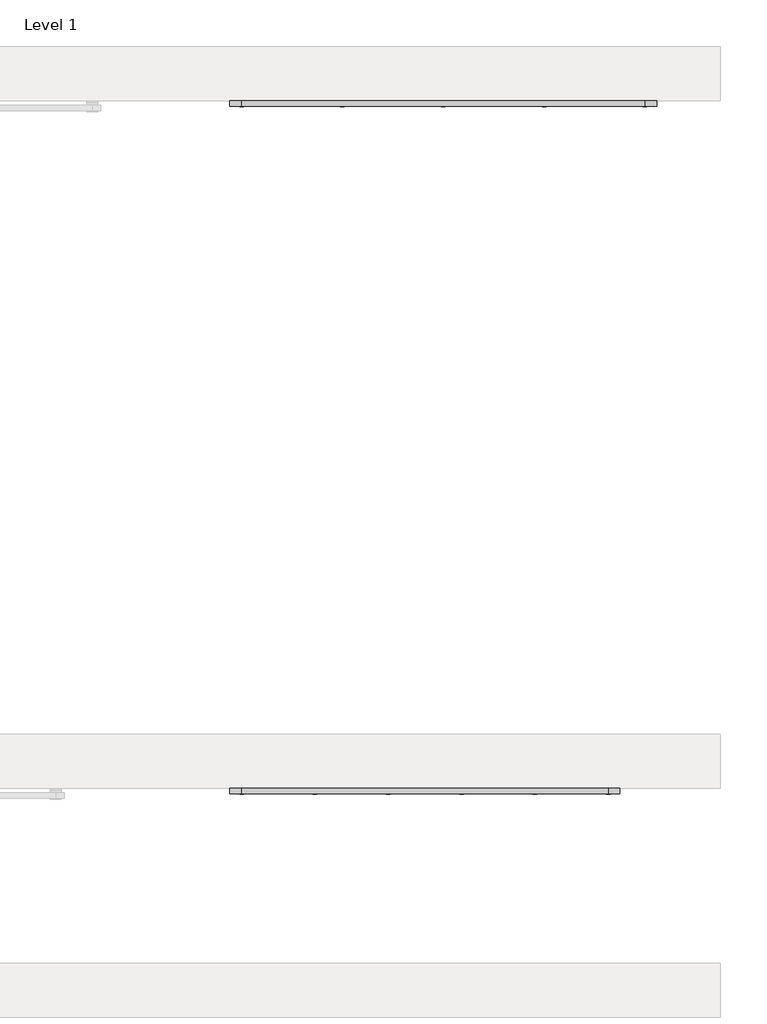
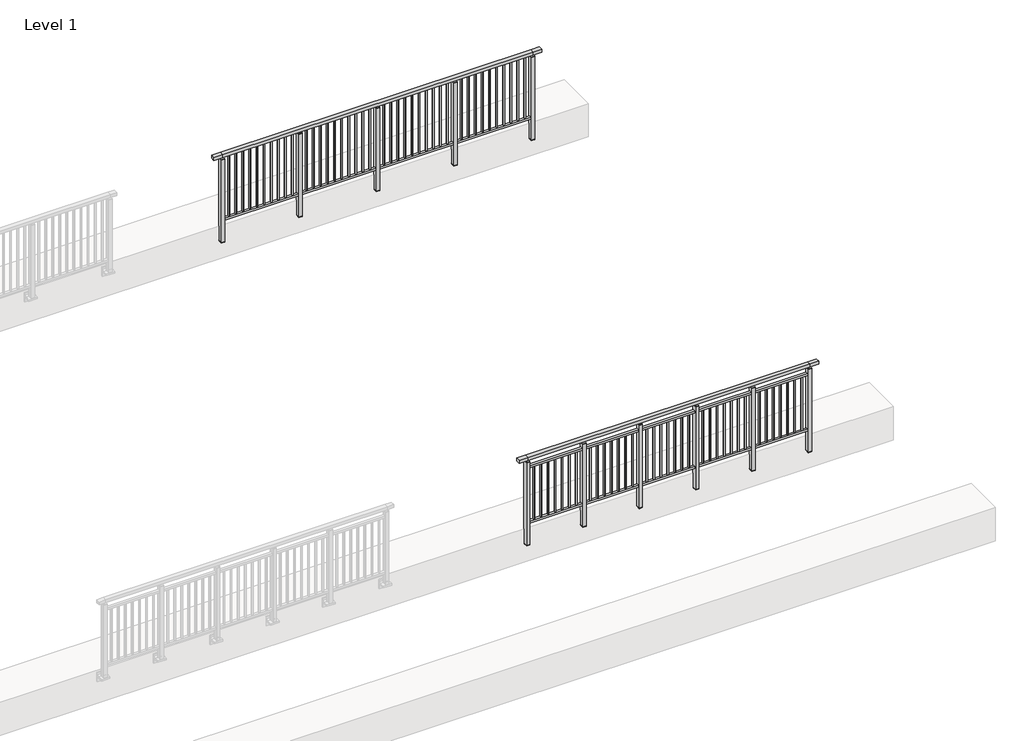
# One storey, part 11 of 37: 2 railings.
"""IFC4 building model written with IfcOpenShell, lengths in millimetres."""

from ifc_helpers import new_model, si_unit, frame, origin, place, context, project, spatial, polyline, outline, extrude, faceted_brep, element, save

model = new_model("IFC4")

# Units and contexts
model_context = context("Model", 3, world=origin())
ifc_project = project(units=[si_unit("LENGTHUNIT", "METRE", prefix="MILLI")], contexts=[model_context])

# Site, building, storey
site = spatial("IfcSite", under=ifc_project)
building = spatial("IfcBuilding", under=site)
storey = spatial("IfcBuildingStorey", under=building, Name="Level 1", Elevation=0.0)

# Railings
placement = place(None, origin())
element("IfcRailing", 1, at=placement, inside=storey, context=model_context, shape_type="SolidModel", body=[
    faceted_brep([(18027.0, 7397.6846828, 1055.0), (18027.0, 7397.6846828, 1100.0), (22027.0, 7397.6846828, 1100.0), (22027.0, 7397.6846828, 1055.0), (18027.0, 7337.6846828, 1055.0), (22027.0, 7337.6846828, 1055.0), (18027.0, 7337.6846828, 1100.0), (22027.0, 7337.6846828, 1100.0), (17899.5, 7397.6846828, 1100.0), (17899.5, 7397.6846828, 1055.0), (17899.5, 7337.6846828, 1055.0), (17899.5, 7337.6846828, 1100.0), (22154.5, 7397.6846828, 1100.0), (22154.5, 7337.6846828, 1100.0), (22154.5, 7337.6846828, 1055.0), (22154.5, 7397.6846828, 1055.0)], [[[0, 1, 2, 3]], [[4, 0, 3, 5]], [[6, 4, 5, 7]], [[1, 6, 7, 2]], [[8, 9, 10, 11]], [[9, 8, 1, 0]], [[10, 9, 0, 4]], [[11, 10, 4, 6]], [[8, 11, 6, 1]], [[12, 13, 14, 15]], [[3, 2, 12, 15]], [[5, 3, 15, 14]], [[7, 5, 14, 13]], [[2, 7, 13, 12]]]),
    extrude(outline(polyline([(18027.0, 7350.1846828), (18027.0, 7385.1846828), (22027.0, 7385.1846828), (22027.0, 7350.1846828), (18027.0, 7350.1846828)])), frame((0.0, 0.0, 930.0), z_axis=(0.0, 0.0, 1.0), x_axis=(1.0, 0.0, 0.0)), (0.0, 0.0, 1.0), 30.0),
    extrude(outline(polyline([(18027.0, 7350.1846828), (18027.0, 7385.1846828), (22027.0, 7385.1846828), (22027.0, 7350.1846828), (18027.0, 7350.1846828)])), frame((0.0, 0.0, 95.0), z_axis=(0.0, 0.0, 1.0), x_axis=(1.0, 0.0, 0.0)), (0.0, 0.0, 1.0), 30.0),
    extrude(outline(polyline([(21935.5, 7359.1846828), (21918.5, 7359.1846828), (21918.5, 7376.1846828), (21935.5, 7376.1846828), (21935.5, 7359.1846828)])), frame((0.0, 0.0, 125.0), z_axis=(0.0, 0.0, 1.0), x_axis=(1.0, 0.0, 0.0)), (0.0, 0.0, 1.0), 805.0),
    extrude(outline(polyline([(21835.5, 7359.1846828), (21818.5, 7359.1846828), (21818.5, 7376.1846828), (21835.5, 7376.1846828), (21835.5, 7359.1846828)])), frame((0.0, 0.0, 125.0), z_axis=(0.0, 0.0, 1.0), x_axis=(1.0, 0.0, 0.0)), (0.0, 0.0, 1.0), 805.0),
    extrude(outline(polyline([(21735.5, 7359.1846828), (21718.5, 7359.1846828), (21718.5, 7376.1846828), (21735.5, 7376.1846828), (21735.5, 7359.1846828)])), frame((0.0, 0.0, 125.0), z_axis=(0.0, 0.0, 1.0), x_axis=(1.0, 0.0, 0.0)), (0.0, 0.0, 1.0), 805.0),
    extrude(outline(polyline([(21635.5, 7359.1846828), (21618.5, 7359.1846828), (21618.5, 7376.1846828), (21635.5, 7376.1846828), (21635.5, 7359.1846828)])), frame((0.0, 0.0, 125.0), z_axis=(0.0, 0.0, 1.0), x_axis=(1.0, 0.0, 0.0)), (0.0, 0.0, 1.0), 805.0),
    extrude(outline(polyline([(21535.5, 7359.1846828), (21518.5, 7359.1846828), (21518.5, 7376.1846828), (21535.5, 7376.1846828), (21535.5, 7359.1846828)])), frame((0.0, 0.0, 125.0), z_axis=(0.0, 0.0, 1.0), x_axis=(1.0, 0.0, 0.0)), (0.0, 0.0, 1.0), 805.0),
    extrude(outline(polyline([(21435.5, 7359.1846828), (21418.5, 7359.1846828), (21418.5, 7376.1846828), (21435.5, 7376.1846828), (21435.5, 7359.1846828)])), frame((0.0, 0.0, 125.0), z_axis=(0.0, 0.0, 1.0), x_axis=(1.0, 0.0, 0.0)), (0.0, 0.0, 1.0), 805.0),
    extrude(outline(polyline([(21335.5, 7359.1846828), (21318.5, 7359.1846828), (21318.5, 7376.1846828), (21335.5, 7376.1846828), (21335.5, 7359.1846828)])), frame((0.0, 0.0, 125.0), z_axis=(0.0, 0.0, 1.0), x_axis=(1.0, 0.0, 0.0)), (0.0, 0.0, 1.0), 805.0),
    extrude(outline(polyline([(21249.5, 7400.1846828), (21249.5, 7335.1846828), (21204.5, 7335.1846828), (21204.5, 7400.1846828), (21249.5, 7400.1846828)])), frame((0.0, 0.0, 1027.0), z_axis=(0.0, 0.0, 1.0), x_axis=(1.0, 0.0, 0.0)), (0.0, 0.0, 1.0), 8.0),
    extrude(outline(polyline([(21249.5, 7400.1846828), (21249.5, 7335.1846828), (21204.5, 7335.1846828), (21204.5, 7400.1846828), (21249.5, 7400.1846828)])), frame((0.0, 0.0, -212.0), z_axis=(0.0, 0.0, 1.0), x_axis=(1.0, 0.0, 0.0)), (0.0, 0.0, 1.0), 1239.0),
    extrude(outline(polyline([(21237.0, 7377.6846828), (21237.0, 7357.6846828), (21217.0, 7357.6846828), (21217.0, 7377.6846828), (21237.0, 7377.6846828)])), frame((0.0, 0.0, 1035.0), z_axis=(0.0, 0.0, 1.0), x_axis=(1.0, 0.0, 0.0)), (0.0, 0.0, 1.0), 20.0),
    extrude(outline(polyline([(21249.5, 7400.1846828), (21249.5, 7335.1846828), (21204.5, 7335.1846828), (21204.5, 7400.1846828), (21249.5, 7400.1846828)])), frame((0.0, 0.0, -220.0), z_axis=(0.0, 0.0, 1.0), x_axis=(1.0, 0.0, 0.0)), (0.0, 0.0, 1.0), 8.0),
    extrude(outline(polyline([(21135.5, 7359.1846828), (21118.5, 7359.1846828), (21118.5, 7376.1846828), (21135.5, 7376.1846828), (21135.5, 7359.1846828)])), frame((0.0, 0.0, 125.0), z_axis=(0.0, 0.0, 1.0), x_axis=(1.0, 0.0, 0.0)), (0.0, 0.0, 1.0), 805.0),
    extrude(outline(polyline([(21035.5, 7359.1846828), (21018.5, 7359.1846828), (21018.5, 7376.1846828), (21035.5, 7376.1846828), (21035.5, 7359.1846828)])), frame((0.0, 0.0, 125.0), z_axis=(0.0, 0.0, 1.0), x_axis=(1.0, 0.0, 0.0)), (0.0, 0.0, 1.0), 805.0),
    extrude(outline(polyline([(20935.5, 7359.1846828), (20918.5, 7359.1846828), (20918.5, 7376.1846828), (20935.5, 7376.1846828), (20935.5, 7359.1846828)])), frame((0.0, 0.0, 125.0), z_axis=(0.0, 0.0, 1.0), x_axis=(1.0, 0.0, 0.0)), (0.0, 0.0, 1.0), 805.0),
    extrude(outline(polyline([(20835.5, 7359.1846828), (20818.5, 7359.1846828), (20818.5, 7376.1846828), (20835.5, 7376.1846828), (20835.5, 7359.1846828)])), frame((0.0, 0.0, 125.0), z_axis=(0.0, 0.0, 1.0), x_axis=(1.0, 0.0, 0.0)), (0.0, 0.0, 1.0), 805.0),
    extrude(outline(polyline([(20735.5, 7359.1846828), (20718.5, 7359.1846828), (20718.5, 7376.1846828), (20735.5, 7376.1846828), (20735.5, 7359.1846828)])), frame((0.0, 0.0, 125.0), z_axis=(0.0, 0.0, 1.0), x_axis=(1.0, 0.0, 0.0)), (0.0, 0.0, 1.0), 805.0),
    extrude(outline(polyline([(20635.5, 7359.1846828), (20618.5, 7359.1846828), (20618.5, 7376.1846828), (20635.5, 7376.1846828), (20635.5, 7359.1846828)])), frame((0.0, 0.0, 125.0), z_axis=(0.0, 0.0, 1.0), x_axis=(1.0, 0.0, 0.0)), (0.0, 0.0, 1.0), 805.0),
    extrude(outline(polyline([(20535.5, 7359.1846828), (20518.5, 7359.1846828), (20518.5, 7376.1846828), (20535.5, 7376.1846828), (20535.5, 7359.1846828)])), frame((0.0, 0.0, 125.0), z_axis=(0.0, 0.0, 1.0), x_axis=(1.0, 0.0, 0.0)), (0.0, 0.0, 1.0), 805.0),
    extrude(outline(polyline([(20449.5, 7400.1846828), (20449.5, 7335.1846828), (20404.5, 7335.1846828), (20404.5, 7400.1846828), (20449.5, 7400.1846828)])), frame((0.0, 0.0, 1027.0), z_axis=(0.0, 0.0, 1.0), x_axis=(1.0, 0.0, 0.0)), (0.0, 0.0, 1.0), 8.0),
    extrude(outline(polyline([(20449.5, 7400.1846828), (20449.5, 7335.1846828), (20404.5, 7335.1846828), (20404.5, 7400.1846828), (20449.5, 7400.1846828)])), frame((0.0, 0.0, -212.0), z_axis=(0.0, 0.0, 1.0), x_axis=(1.0, 0.0, 0.0)), (0.0, 0.0, 1.0), 1239.0),
    extrude(outline(polyline([(20437.0, 7377.6846828), (20437.0, 7357.6846828), (20417.0, 7357.6846828), (20417.0, 7377.6846828), (20437.0, 7377.6846828)])), frame((0.0, 0.0, 1035.0), z_axis=(0.0, 0.0, 1.0), x_axis=(1.0, 0.0, 0.0)), (0.0, 0.0, 1.0), 20.0),
    extrude(outline(polyline([(20449.5, 7400.1846828), (20449.5, 7335.1846828), (20404.5, 7335.1846828), (20404.5, 7400.1846828), (20449.5, 7400.1846828)])), frame((0.0, 0.0, -220.0), z_axis=(0.0, 0.0, 1.0), x_axis=(1.0, 0.0, 0.0)), (0.0, 0.0, 1.0), 8.0),
    extrude(outline(polyline([(20335.5, 7359.1846828), (20318.5, 7359.1846828), (20318.5, 7376.1846828), (20335.5, 7376.1846828), (20335.5, 7359.1846828)])), frame((0.0, 0.0, 125.0), z_axis=(0.0, 0.0, 1.0), x_axis=(1.0, 0.0, 0.0)), (0.0, 0.0, 1.0), 805.0),
    extrude(outline(polyline([(20235.5, 7359.1846828), (20218.5, 7359.1846828), (20218.5, 7376.1846828), (20235.5, 7376.1846828), (20235.5, 7359.1846828)])), frame((0.0, 0.0, 125.0), z_axis=(0.0, 0.0, 1.0), x_axis=(1.0, 0.0, 0.0)), (0.0, 0.0, 1.0), 805.0),
    extrude(outline(polyline([(20135.5, 7359.1846828), (20118.5, 7359.1846828), (20118.5, 7376.1846828), (20135.5, 7376.1846828), (20135.5, 7359.1846828)])), frame((0.0, 0.0, 125.0), z_axis=(0.0, 0.0, 1.0), x_axis=(1.0, 0.0, 0.0)), (0.0, 0.0, 1.0), 805.0),
    extrude(outline(polyline([(20035.5, 7359.1846828), (20018.5, 7359.1846828), (20018.5, 7376.1846828), (20035.5, 7376.1846828), (20035.5, 7359.1846828)])), frame((0.0, 0.0, 125.0), z_axis=(0.0, 0.0, 1.0), x_axis=(1.0, 0.0, 0.0)), (0.0, 0.0, 1.0), 805.0),
    extrude(outline(polyline([(19935.5, 7359.1846828), (19918.5, 7359.1846828), (19918.5, 7376.1846828), (19935.5, 7376.1846828), (19935.5, 7359.1846828)])), frame((0.0, 0.0, 125.0), z_axis=(0.0, 0.0, 1.0), x_axis=(1.0, 0.0, 0.0)), (0.0, 0.0, 1.0), 805.0),
    extrude(outline(polyline([(19835.5, 7359.1846828), (19818.5, 7359.1846828), (19818.5, 7376.1846828), (19835.5, 7376.1846828), (19835.5, 7359.1846828)])), frame((0.0, 0.0, 125.0), z_axis=(0.0, 0.0, 1.0), x_axis=(1.0, 0.0, 0.0)), (0.0, 0.0, 1.0), 805.0),
    extrude(outline(polyline([(19735.5, 7359.1846828), (19718.5, 7359.1846828), (19718.5, 7376.1846828), (19735.5, 7376.1846828), (19735.5, 7359.1846828)])), frame((0.0, 0.0, 125.0), z_axis=(0.0, 0.0, 1.0), x_axis=(1.0, 0.0, 0.0)), (0.0, 0.0, 1.0), 805.0),
    extrude(outline(polyline([(19649.5, 7400.1846828), (19649.5, 7335.1846828), (19604.5, 7335.1846828), (19604.5, 7400.1846828), (19649.5, 7400.1846828)])), frame((0.0, 0.0, 1027.0), z_axis=(0.0, 0.0, 1.0), x_axis=(1.0, 0.0, 0.0)), (0.0, 0.0, 1.0), 8.0),
    extrude(outline(polyline([(19649.5, 7400.1846828), (19649.5, 7335.1846828), (19604.5, 7335.1846828), (19604.5, 7400.1846828), (19649.5, 7400.1846828)])), frame((0.0, 0.0, -212.0), z_axis=(0.0, 0.0, 1.0), x_axis=(1.0, 0.0, 0.0)), (0.0, 0.0, 1.0), 1239.0),
    extrude(outline(polyline([(19637.0, 7377.6846828), (19637.0, 7357.6846828), (19617.0, 7357.6846828), (19617.0, 7377.6846828), (19637.0, 7377.6846828)])), frame((0.0, 0.0, 1035.0), z_axis=(0.0, 0.0, 1.0), x_axis=(1.0, 0.0, 0.0)), (0.0, 0.0, 1.0), 20.0),
    extrude(outline(polyline([(19649.5, 7400.1846828), (19649.5, 7335.1846828), (19604.5, 7335.1846828), (19604.5, 7400.1846828), (19649.5, 7400.1846828)])), frame((0.0, 0.0, -220.0), z_axis=(0.0, 0.0, 1.0), x_axis=(1.0, 0.0, 0.0)), (0.0, 0.0, 1.0), 8.0),
    extrude(outline(polyline([(19535.5, 7359.1846828), (19518.5, 7359.1846828), (19518.5, 7376.1846828), (19535.5, 7376.1846828), (19535.5, 7359.1846828)])), frame((0.0, 0.0, 125.0), z_axis=(0.0, 0.0, 1.0), x_axis=(1.0, 0.0, 0.0)), (0.0, 0.0, 1.0), 805.0),
    extrude(outline(polyline([(19435.5, 7359.1846828), (19418.5, 7359.1846828), (19418.5, 7376.1846828), (19435.5, 7376.1846828), (19435.5, 7359.1846828)])), frame((0.0, 0.0, 125.0), z_axis=(0.0, 0.0, 1.0), x_axis=(1.0, 0.0, 0.0)), (0.0, 0.0, 1.0), 805.0),
    extrude(outline(polyline([(19335.5, 7359.1846828), (19318.5, 7359.1846828), (19318.5, 7376.1846828), (19335.5, 7376.1846828), (19335.5, 7359.1846828)])), frame((0.0, 0.0, 125.0), z_axis=(0.0, 0.0, 1.0), x_axis=(1.0, 0.0, 0.0)), (0.0, 0.0, 1.0), 805.0),
    extrude(outline(polyline([(19235.5, 7359.1846828), (19218.5, 7359.1846828), (19218.5, 7376.1846828), (19235.5, 7376.1846828), (19235.5, 7359.1846828)])), frame((0.0, 0.0, 125.0), z_axis=(0.0, 0.0, 1.0), x_axis=(1.0, 0.0, 0.0)), (0.0, 0.0, 1.0), 805.0),
    extrude(outline(polyline([(19135.5, 7359.1846828), (19118.5, 7359.1846828), (19118.5, 7376.1846828), (19135.5, 7376.1846828), (19135.5, 7359.1846828)])), frame((0.0, 0.0, 125.0), z_axis=(0.0, 0.0, 1.0), x_axis=(1.0, 0.0, 0.0)), (0.0, 0.0, 1.0), 805.0),
    extrude(outline(polyline([(19035.5, 7359.1846828), (19018.5, 7359.1846828), (19018.5, 7376.1846828), (19035.5, 7376.1846828), (19035.5, 7359.1846828)])), frame((0.0, 0.0, 125.0), z_axis=(0.0, 0.0, 1.0), x_axis=(1.0, 0.0, 0.0)), (0.0, 0.0, 1.0), 805.0),
    extrude(outline(polyline([(18935.5, 7359.1846828), (18918.5, 7359.1846828), (18918.5, 7376.1846828), (18935.5, 7376.1846828), (18935.5, 7359.1846828)])), frame((0.0, 0.0, 125.0), z_axis=(0.0, 0.0, 1.0), x_axis=(1.0, 0.0, 0.0)), (0.0, 0.0, 1.0), 805.0),
    extrude(outline(polyline([(18849.5, 7400.1846828), (18849.5, 7335.1846828), (18804.5, 7335.1846828), (18804.5, 7400.1846828), (18849.5, 7400.1846828)])), frame((0.0, 0.0, 1027.0), z_axis=(0.0, 0.0, 1.0), x_axis=(1.0, 0.0, 0.0)), (0.0, 0.0, 1.0), 8.0),
    extrude(outline(polyline([(18849.5, 7400.1846828), (18849.5, 7335.1846828), (18804.5, 7335.1846828), (18804.5, 7400.1846828), (18849.5, 7400.1846828)])), frame((0.0, 0.0, -212.0), z_axis=(0.0, 0.0, 1.0), x_axis=(1.0, 0.0, 0.0)), (0.0, 0.0, 1.0), 1239.0),
    extrude(outline(polyline([(18837.0, 7377.6846828), (18837.0, 7357.6846828), (18817.0, 7357.6846828), (18817.0, 7377.6846828), (18837.0, 7377.6846828)])), frame((0.0, 0.0, 1035.0), z_axis=(0.0, 0.0, 1.0), x_axis=(1.0, 0.0, 0.0)), (0.0, 0.0, 1.0), 20.0),
    extrude(outline(polyline([(18849.5, 7400.1846828), (18849.5, 7335.1846828), (18804.5, 7335.1846828), (18804.5, 7400.1846828), (18849.5, 7400.1846828)])), frame((0.0, 0.0, -220.0), z_axis=(0.0, 0.0, 1.0), x_axis=(1.0, 0.0, 0.0)), (0.0, 0.0, 1.0), 8.0),
    extrude(outline(polyline([(18735.5, 7359.1846828), (18718.5, 7359.1846828), (18718.5, 7376.1846828), (18735.5, 7376.1846828), (18735.5, 7359.1846828)])), frame((0.0, 0.0, 125.0), z_axis=(0.0, 0.0, 1.0), x_axis=(1.0, 0.0, 0.0)), (0.0, 0.0, 1.0), 805.0),
    extrude(outline(polyline([(18635.5, 7359.1846828), (18618.5, 7359.1846828), (18618.5, 7376.1846828), (18635.5, 7376.1846828), (18635.5, 7359.1846828)])), frame((0.0, 0.0, 125.0), z_axis=(0.0, 0.0, 1.0), x_axis=(1.0, 0.0, 0.0)), (0.0, 0.0, 1.0), 805.0),
    extrude(outline(polyline([(18535.5, 7359.1846828), (18518.5, 7359.1846828), (18518.5, 7376.1846828), (18535.5, 7376.1846828), (18535.5, 7359.1846828)])), frame((0.0, 0.0, 125.0), z_axis=(0.0, 0.0, 1.0), x_axis=(1.0, 0.0, 0.0)), (0.0, 0.0, 1.0), 805.0),
    extrude(outline(polyline([(18435.5, 7359.1846828), (18418.5, 7359.1846828), (18418.5, 7376.1846828), (18435.5, 7376.1846828), (18435.5, 7359.1846828)])), frame((0.0, 0.0, 125.0), z_axis=(0.0, 0.0, 1.0), x_axis=(1.0, 0.0, 0.0)), (0.0, 0.0, 1.0), 805.0),
    extrude(outline(polyline([(18335.5, 7359.1846828), (18318.5, 7359.1846828), (18318.5, 7376.1846828), (18335.5, 7376.1846828), (18335.5, 7359.1846828)])), frame((0.0, 0.0, 125.0), z_axis=(0.0, 0.0, 1.0), x_axis=(1.0, 0.0, 0.0)), (0.0, 0.0, 1.0), 805.0),
    extrude(outline(polyline([(18235.5, 7359.1846828), (18218.5, 7359.1846828), (18218.5, 7376.1846828), (18235.5, 7376.1846828), (18235.5, 7359.1846828)])), frame((0.0, 0.0, 125.0), z_axis=(0.0, 0.0, 1.0), x_axis=(1.0, 0.0, 0.0)), (0.0, 0.0, 1.0), 805.0),
    extrude(outline(polyline([(18135.5, 7359.1846828), (18118.5, 7359.1846828), (18118.5, 7376.1846828), (18135.5, 7376.1846828), (18135.5, 7359.1846828)])), frame((0.0, 0.0, 125.0), z_axis=(0.0, 0.0, 1.0), x_axis=(1.0, 0.0, 0.0)), (0.0, 0.0, 1.0), 805.0),
    extrude(outline(polyline([(22049.5, 7400.1846828), (22049.5, 7335.1846828), (22004.5, 7335.1846828), (22004.5, 7400.1846828), (22049.5, 7400.1846828)])), frame((0.0, 0.0, 1027.0), z_axis=(0.0, 0.0, 1.0), x_axis=(1.0, 0.0, 0.0)), (0.0, 0.0, 1.0), 8.0),
    extrude(outline(polyline([(22049.5, 7400.1846828), (22049.5, 7335.1846828), (22004.5, 7335.1846828), (22004.5, 7400.1846828), (22049.5, 7400.1846828)])), frame((0.0, 0.0, -212.0), z_axis=(0.0, 0.0, 1.0), x_axis=(1.0, 0.0, 0.0)), (0.0, 0.0, 1.0), 1239.0),
    extrude(outline(polyline([(22037.0, 7377.6846828), (22037.0, 7357.6846828), (22017.0, 7357.6846828), (22017.0, 7377.6846828), (22037.0, 7377.6846828)])), frame((0.0, 0.0, 1035.0), z_axis=(0.0, 0.0, 1.0), x_axis=(1.0, 0.0, 0.0)), (0.0, 0.0, 1.0), 20.0),
    extrude(outline(polyline([(22049.5, 7400.1846828), (22049.5, 7335.1846828), (22004.5, 7335.1846828), (22004.5, 7400.1846828), (22049.5, 7400.1846828)])), frame((0.0, 0.0, -220.0), z_axis=(0.0, 0.0, 1.0), x_axis=(1.0, 0.0, 0.0)), (0.0, 0.0, 1.0), 8.0),
    extrude(outline(polyline([(18049.5, 7400.1846828), (18049.5, 7335.1846828), (18004.5, 7335.1846828), (18004.5, 7400.1846828), (18049.5, 7400.1846828)])), frame((0.0, 0.0, 1027.0), z_axis=(0.0, 0.0, 1.0), x_axis=(1.0, 0.0, 0.0)), (0.0, 0.0, 1.0), 8.0),
    extrude(outline(polyline([(18049.5, 7400.1846828), (18049.5, 7335.1846828), (18004.5, 7335.1846828), (18004.5, 7400.1846828), (18049.5, 7400.1846828)])), frame((0.0, 0.0, -212.0), z_axis=(0.0, 0.0, 1.0), x_axis=(1.0, 0.0, 0.0)), (0.0, 0.0, 1.0), 1239.0),
    extrude(outline(polyline([(18037.0, 7377.6846828), (18037.0, 7357.6846828), (18017.0, 7357.6846828), (18017.0, 7377.6846828), (18037.0, 7377.6846828)])), frame((0.0, 0.0, 1035.0), z_axis=(0.0, 0.0, 1.0), x_axis=(1.0, 0.0, 0.0)), (0.0, 0.0, 1.0), 20.0),
    extrude(outline(polyline([(18049.5, 7400.1846828), (18049.5, 7335.1846828), (18004.5, 7335.1846828), (18004.5, 7400.1846828), (18049.5, 7400.1846828)])), frame((0.0, 0.0, -220.0), z_axis=(0.0, 0.0, 1.0), x_axis=(1.0, 0.0, 0.0)), (0.0, 0.0, 1.0), 8.0),
])
element("IfcRailing", 2, at=placement, inside=storey, context=model_context, shape_type="SolidModel", body=[
    faceted_brep([(18027.0, 14897.6846828, 1055.0), (18027.0, 14897.6846828, 1100.0), (22427.0, 14897.6846828, 1100.0), (22427.0, 14897.6846828, 1055.0), (18027.0, 14837.6846828, 1055.0), (22427.0, 14837.6846828, 1055.0), (18027.0, 14837.6846828, 1100.0), (22427.0, 14837.6846828, 1100.0), (17899.5, 14897.6846828, 1100.0), (17899.5, 14897.6846828, 1055.0), (17899.5, 14837.6846828, 1055.0), (17899.5, 14837.6846828, 1100.0), (22554.5, 14897.6846828, 1100.0), (22554.5, 14837.6846828, 1100.0), (22554.5, 14837.6846828, 1055.0), (22554.5, 14897.6846828, 1055.0)], [[[0, 1, 2, 3]], [[4, 0, 3, 5]], [[6, 4, 5, 7]], [[1, 6, 7, 2]], [[8, 9, 10, 11]], [[9, 8, 1, 0]], [[10, 9, 0, 4]], [[11, 10, 4, 6]], [[8, 11, 6, 1]], [[12, 13, 14, 15]], [[3, 2, 12, 15]], [[5, 3, 15, 14]], [[7, 5, 14, 13]], [[2, 7, 13, 12]]]),
    extrude(outline(polyline([(18027.0, 14850.1846828), (18027.0, 14885.1846828), (22427.0, 14885.1846828), (22427.0, 14850.1846828), (18027.0, 14850.1846828)])), frame((0.0, 0.0, 95.0), z_axis=(0.0, 0.0, 1.0), x_axis=(1.0, 0.0, 0.0)), (0.0, 0.0, 1.0), 30.0),
    extrude(outline(polyline([(22335.5, 14859.1846828), (22318.5, 14859.1846828), (22318.5, 14876.1846828), (22335.5, 14876.1846828), (22335.5, 14859.1846828)])), frame((0.0, 0.0, 125.0), z_axis=(0.0, 0.0, 1.0), x_axis=(1.0, 0.0, 0.0)), (0.0, 0.0, 1.0), 930.0),
    extrude(outline(polyline([(22235.5, 14859.1846828), (22218.5, 14859.1846828), (22218.5, 14876.1846828), (22235.5, 14876.1846828), (22235.5, 14859.1846828)])), frame((0.0, 0.0, 125.0), z_axis=(0.0, 0.0, 1.0), x_axis=(1.0, 0.0, 0.0)), (0.0, 0.0, 1.0), 930.0),
    extrude(outline(polyline([(22135.5, 14859.1846828), (22118.5, 14859.1846828), (22118.5, 14876.1846828), (22135.5, 14876.1846828), (22135.5, 14859.1846828)])), frame((0.0, 0.0, 125.0), z_axis=(0.0, 0.0, 1.0), x_axis=(1.0, 0.0, 0.0)), (0.0, 0.0, 1.0), 930.0),
    extrude(outline(polyline([(22035.5, 14859.1846828), (22018.5, 14859.1846828), (22018.5, 14876.1846828), (22035.5, 14876.1846828), (22035.5, 14859.1846828)])), frame((0.0, 0.0, 125.0), z_axis=(0.0, 0.0, 1.0), x_axis=(1.0, 0.0, 0.0)), (0.0, 0.0, 1.0), 930.0),
    extrude(outline(polyline([(21935.5, 14859.1846828), (21918.5, 14859.1846828), (21918.5, 14876.1846828), (21935.5, 14876.1846828), (21935.5, 14859.1846828)])), frame((0.0, 0.0, 125.0), z_axis=(0.0, 0.0, 1.0), x_axis=(1.0, 0.0, 0.0)), (0.0, 0.0, 1.0), 930.0),
    extrude(outline(polyline([(21835.5, 14859.1846828), (21818.5, 14859.1846828), (21818.5, 14876.1846828), (21835.5, 14876.1846828), (21835.5, 14859.1846828)])), frame((0.0, 0.0, 125.0), z_axis=(0.0, 0.0, 1.0), x_axis=(1.0, 0.0, 0.0)), (0.0, 0.0, 1.0), 930.0),
    extrude(outline(polyline([(21735.5, 14859.1846828), (21718.5, 14859.1846828), (21718.5, 14876.1846828), (21735.5, 14876.1846828), (21735.5, 14859.1846828)])), frame((0.0, 0.0, 125.0), z_axis=(0.0, 0.0, 1.0), x_axis=(1.0, 0.0, 0.0)), (0.0, 0.0, 1.0), 930.0),
    extrude(outline(polyline([(21635.5, 14859.1846828), (21618.5, 14859.1846828), (21618.5, 14876.1846828), (21635.5, 14876.1846828), (21635.5, 14859.1846828)])), frame((0.0, 0.0, 125.0), z_axis=(0.0, 0.0, 1.0), x_axis=(1.0, 0.0, 0.0)), (0.0, 0.0, 1.0), 930.0),
    extrude(outline(polyline([(21535.5, 14859.1846828), (21518.5, 14859.1846828), (21518.5, 14876.1846828), (21535.5, 14876.1846828), (21535.5, 14859.1846828)])), frame((0.0, 0.0, 125.0), z_axis=(0.0, 0.0, 1.0), x_axis=(1.0, 0.0, 0.0)), (0.0, 0.0, 1.0), 930.0),
    extrude(outline(polyline([(21435.5, 14859.1846828), (21418.5, 14859.1846828), (21418.5, 14876.1846828), (21435.5, 14876.1846828), (21435.5, 14859.1846828)])), frame((0.0, 0.0, 125.0), z_axis=(0.0, 0.0, 1.0), x_axis=(1.0, 0.0, 0.0)), (0.0, 0.0, 1.0), 930.0),
    extrude(outline(polyline([(21349.5, 14900.1846828), (21349.5, 14835.1846828), (21304.5, 14835.1846828), (21304.5, 14900.1846828), (21349.5, 14900.1846828)])), frame((0.0, 0.0, 1027.0), z_axis=(0.0, 0.0, 1.0), x_axis=(1.0, 0.0, 0.0)), (0.0, 0.0, 1.0), 8.0),
    extrude(outline(polyline([(21349.5, 14900.1846828), (21349.5, 14835.1846828), (21304.5, 14835.1846828), (21304.5, 14900.1846828), (21349.5, 14900.1846828)])), frame((0.0, 0.0, -212.0), z_axis=(0.0, 0.0, 1.0), x_axis=(1.0, 0.0, 0.0)), (0.0, 0.0, 1.0), 1239.0),
    extrude(outline(polyline([(21337.0, 14877.6846828), (21337.0, 14857.6846828), (21317.0, 14857.6846828), (21317.0, 14877.6846828), (21337.0, 14877.6846828)])), frame((0.0, 0.0, 1035.0), z_axis=(0.0, 0.0, 1.0), x_axis=(1.0, 0.0, 0.0)), (0.0, 0.0, 1.0), 20.0),
    extrude(outline(polyline([(21349.5, 14900.1846828), (21349.5, 14835.1846828), (21304.5, 14835.1846828), (21304.5, 14900.1846828), (21349.5, 14900.1846828)])), frame((0.0, 0.0, -220.0), z_axis=(0.0, 0.0, 1.0), x_axis=(1.0, 0.0, 0.0)), (0.0, 0.0, 1.0), 8.0),
    extrude(outline(polyline([(21235.5, 14859.1846828), (21218.5, 14859.1846828), (21218.5, 14876.1846828), (21235.5, 14876.1846828), (21235.5, 14859.1846828)])), frame((0.0, 0.0, 125.0), z_axis=(0.0, 0.0, 1.0), x_axis=(1.0, 0.0, 0.0)), (0.0, 0.0, 1.0), 930.0),
    extrude(outline(polyline([(21135.5, 14859.1846828), (21118.5, 14859.1846828), (21118.5, 14876.1846828), (21135.5, 14876.1846828), (21135.5, 14859.1846828)])), frame((0.0, 0.0, 125.0), z_axis=(0.0, 0.0, 1.0), x_axis=(1.0, 0.0, 0.0)), (0.0, 0.0, 1.0), 930.0),
    extrude(outline(polyline([(21035.5, 14859.1846828), (21018.5, 14859.1846828), (21018.5, 14876.1846828), (21035.5, 14876.1846828), (21035.5, 14859.1846828)])), frame((0.0, 0.0, 125.0), z_axis=(0.0, 0.0, 1.0), x_axis=(1.0, 0.0, 0.0)), (0.0, 0.0, 1.0), 930.0),
    extrude(outline(polyline([(20935.5, 14859.1846828), (20918.5, 14859.1846828), (20918.5, 14876.1846828), (20935.5, 14876.1846828), (20935.5, 14859.1846828)])), frame((0.0, 0.0, 125.0), z_axis=(0.0, 0.0, 1.0), x_axis=(1.0, 0.0, 0.0)), (0.0, 0.0, 1.0), 930.0),
    extrude(outline(polyline([(20835.5, 14859.1846828), (20818.5, 14859.1846828), (20818.5, 14876.1846828), (20835.5, 14876.1846828), (20835.5, 14859.1846828)])), frame((0.0, 0.0, 125.0), z_axis=(0.0, 0.0, 1.0), x_axis=(1.0, 0.0, 0.0)), (0.0, 0.0, 1.0), 930.0),
    extrude(outline(polyline([(20735.5, 14859.1846828), (20718.5, 14859.1846828), (20718.5, 14876.1846828), (20735.5, 14876.1846828), (20735.5, 14859.1846828)])), frame((0.0, 0.0, 125.0), z_axis=(0.0, 0.0, 1.0), x_axis=(1.0, 0.0, 0.0)), (0.0, 0.0, 1.0), 930.0),
    extrude(outline(polyline([(20635.5, 14859.1846828), (20618.5, 14859.1846828), (20618.5, 14876.1846828), (20635.5, 14876.1846828), (20635.5, 14859.1846828)])), frame((0.0, 0.0, 125.0), z_axis=(0.0, 0.0, 1.0), x_axis=(1.0, 0.0, 0.0)), (0.0, 0.0, 1.0), 930.0),
    extrude(outline(polyline([(20535.5, 14859.1846828), (20518.5, 14859.1846828), (20518.5, 14876.1846828), (20535.5, 14876.1846828), (20535.5, 14859.1846828)])), frame((0.0, 0.0, 125.0), z_axis=(0.0, 0.0, 1.0), x_axis=(1.0, 0.0, 0.0)), (0.0, 0.0, 1.0), 930.0),
    extrude(outline(polyline([(20435.5, 14859.1846828), (20418.5, 14859.1846828), (20418.5, 14876.1846828), (20435.5, 14876.1846828), (20435.5, 14859.1846828)])), frame((0.0, 0.0, 125.0), z_axis=(0.0, 0.0, 1.0), x_axis=(1.0, 0.0, 0.0)), (0.0, 0.0, 1.0), 930.0),
    extrude(outline(polyline([(20335.5, 14859.1846828), (20318.5, 14859.1846828), (20318.5, 14876.1846828), (20335.5, 14876.1846828), (20335.5, 14859.1846828)])), frame((0.0, 0.0, 125.0), z_axis=(0.0, 0.0, 1.0), x_axis=(1.0, 0.0, 0.0)), (0.0, 0.0, 1.0), 930.0),
    extrude(outline(polyline([(20249.5, 14900.1846828), (20249.5, 14835.1846828), (20204.5, 14835.1846828), (20204.5, 14900.1846828), (20249.5, 14900.1846828)])), frame((0.0, 0.0, 1027.0), z_axis=(0.0, 0.0, 1.0), x_axis=(1.0, 0.0, 0.0)), (0.0, 0.0, 1.0), 8.0),
    extrude(outline(polyline([(20249.5, 14900.1846828), (20249.5, 14835.1846828), (20204.5, 14835.1846828), (20204.5, 14900.1846828), (20249.5, 14900.1846828)])), frame((0.0, 0.0, -212.0), z_axis=(0.0, 0.0, 1.0), x_axis=(1.0, 0.0, 0.0)), (0.0, 0.0, 1.0), 1239.0),
    extrude(outline(polyline([(20237.0, 14877.6846828), (20237.0, 14857.6846828), (20217.0, 14857.6846828), (20217.0, 14877.6846828), (20237.0, 14877.6846828)])), frame((0.0, 0.0, 1035.0), z_axis=(0.0, 0.0, 1.0), x_axis=(1.0, 0.0, 0.0)), (0.0, 0.0, 1.0), 20.0),
    extrude(outline(polyline([(20249.5, 14900.1846828), (20249.5, 14835.1846828), (20204.5, 14835.1846828), (20204.5, 14900.1846828), (20249.5, 14900.1846828)])), frame((0.0, 0.0, -220.0), z_axis=(0.0, 0.0, 1.0), x_axis=(1.0, 0.0, 0.0)), (0.0, 0.0, 1.0), 8.0),
    extrude(outline(polyline([(20135.5, 14859.1846828), (20118.5, 14859.1846828), (20118.5, 14876.1846828), (20135.5, 14876.1846828), (20135.5, 14859.1846828)])), frame((0.0, 0.0, 125.0), z_axis=(0.0, 0.0, 1.0), x_axis=(1.0, 0.0, 0.0)), (0.0, 0.0, 1.0), 930.0),
    extrude(outline(polyline([(20035.5, 14859.1846828), (20018.5, 14859.1846828), (20018.5, 14876.1846828), (20035.5, 14876.1846828), (20035.5, 14859.1846828)])), frame((0.0, 0.0, 125.0), z_axis=(0.0, 0.0, 1.0), x_axis=(1.0, 0.0, 0.0)), (0.0, 0.0, 1.0), 930.0),
    extrude(outline(polyline([(19935.5, 14859.1846828), (19918.5, 14859.1846828), (19918.5, 14876.1846828), (19935.5, 14876.1846828), (19935.5, 14859.1846828)])), frame((0.0, 0.0, 125.0), z_axis=(0.0, 0.0, 1.0), x_axis=(1.0, 0.0, 0.0)), (0.0, 0.0, 1.0), 930.0),
    extrude(outline(polyline([(19835.5, 14859.1846828), (19818.5, 14859.1846828), (19818.5, 14876.1846828), (19835.5, 14876.1846828), (19835.5, 14859.1846828)])), frame((0.0, 0.0, 125.0), z_axis=(0.0, 0.0, 1.0), x_axis=(1.0, 0.0, 0.0)), (0.0, 0.0, 1.0), 930.0),
    extrude(outline(polyline([(19735.5, 14859.1846828), (19718.5, 14859.1846828), (19718.5, 14876.1846828), (19735.5, 14876.1846828), (19735.5, 14859.1846828)])), frame((0.0, 0.0, 125.0), z_axis=(0.0, 0.0, 1.0), x_axis=(1.0, 0.0, 0.0)), (0.0, 0.0, 1.0), 930.0),
    extrude(outline(polyline([(19635.5, 14859.1846828), (19618.5, 14859.1846828), (19618.5, 14876.1846828), (19635.5, 14876.1846828), (19635.5, 14859.1846828)])), frame((0.0, 0.0, 125.0), z_axis=(0.0, 0.0, 1.0), x_axis=(1.0, 0.0, 0.0)), (0.0, 0.0, 1.0), 930.0),
    extrude(outline(polyline([(19535.5, 14859.1846828), (19518.5, 14859.1846828), (19518.5, 14876.1846828), (19535.5, 14876.1846828), (19535.5, 14859.1846828)])), frame((0.0, 0.0, 125.0), z_axis=(0.0, 0.0, 1.0), x_axis=(1.0, 0.0, 0.0)), (0.0, 0.0, 1.0), 930.0),
    extrude(outline(polyline([(19435.5, 14859.1846828), (19418.5, 14859.1846828), (19418.5, 14876.1846828), (19435.5, 14876.1846828), (19435.5, 14859.1846828)])), frame((0.0, 0.0, 125.0), z_axis=(0.0, 0.0, 1.0), x_axis=(1.0, 0.0, 0.0)), (0.0, 0.0, 1.0), 930.0),
    extrude(outline(polyline([(19335.5, 14859.1846828), (19318.5, 14859.1846828), (19318.5, 14876.1846828), (19335.5, 14876.1846828), (19335.5, 14859.1846828)])), frame((0.0, 0.0, 125.0), z_axis=(0.0, 0.0, 1.0), x_axis=(1.0, 0.0, 0.0)), (0.0, 0.0, 1.0), 930.0),
    extrude(outline(polyline([(19235.5, 14859.1846828), (19218.5, 14859.1846828), (19218.5, 14876.1846828), (19235.5, 14876.1846828), (19235.5, 14859.1846828)])), frame((0.0, 0.0, 125.0), z_axis=(0.0, 0.0, 1.0), x_axis=(1.0, 0.0, 0.0)), (0.0, 0.0, 1.0), 930.0),
    extrude(outline(polyline([(19149.5, 14900.1846828), (19149.5, 14835.1846828), (19104.5, 14835.1846828), (19104.5, 14900.1846828), (19149.5, 14900.1846828)])), frame((0.0, 0.0, 1027.0), z_axis=(0.0, 0.0, 1.0), x_axis=(1.0, 0.0, 0.0)), (0.0, 0.0, 1.0), 8.0),
    extrude(outline(polyline([(19149.5, 14900.1846828), (19149.5, 14835.1846828), (19104.5, 14835.1846828), (19104.5, 14900.1846828), (19149.5, 14900.1846828)])), frame((0.0, 0.0, -212.0), z_axis=(0.0, 0.0, 1.0), x_axis=(1.0, 0.0, 0.0)), (0.0, 0.0, 1.0), 1239.0),
    extrude(outline(polyline([(19137.0, 14877.6846828), (19137.0, 14857.6846828), (19117.0, 14857.6846828), (19117.0, 14877.6846828), (19137.0, 14877.6846828)])), frame((0.0, 0.0, 1035.0), z_axis=(0.0, 0.0, 1.0), x_axis=(1.0, 0.0, 0.0)), (0.0, 0.0, 1.0), 20.0),
    extrude(outline(polyline([(19149.5, 14900.1846828), (19149.5, 14835.1846828), (19104.5, 14835.1846828), (19104.5, 14900.1846828), (19149.5, 14900.1846828)])), frame((0.0, 0.0, -220.0), z_axis=(0.0, 0.0, 1.0), x_axis=(1.0, 0.0, 0.0)), (0.0, 0.0, 1.0), 8.0),
    extrude(outline(polyline([(19035.5, 14859.1846828), (19018.5, 14859.1846828), (19018.5, 14876.1846828), (19035.5, 14876.1846828), (19035.5, 14859.1846828)])), frame((0.0, 0.0, 125.0), z_axis=(0.0, 0.0, 1.0), x_axis=(1.0, 0.0, 0.0)), (0.0, 0.0, 1.0), 930.0),
    extrude(outline(polyline([(18935.5, 14859.1846828), (18918.5, 14859.1846828), (18918.5, 14876.1846828), (18935.5, 14876.1846828), (18935.5, 14859.1846828)])), frame((0.0, 0.0, 125.0), z_axis=(0.0, 0.0, 1.0), x_axis=(1.0, 0.0, 0.0)), (0.0, 0.0, 1.0), 930.0),
    extrude(outline(polyline([(18835.5, 14859.1846828), (18818.5, 14859.1846828), (18818.5, 14876.1846828), (18835.5, 14876.1846828), (18835.5, 14859.1846828)])), frame((0.0, 0.0, 125.0), z_axis=(0.0, 0.0, 1.0), x_axis=(1.0, 0.0, 0.0)), (0.0, 0.0, 1.0), 930.0),
    extrude(outline(polyline([(18735.5, 14859.1846828), (18718.5, 14859.1846828), (18718.5, 14876.1846828), (18735.5, 14876.1846828), (18735.5, 14859.1846828)])), frame((0.0, 0.0, 125.0), z_axis=(0.0, 0.0, 1.0), x_axis=(1.0, 0.0, 0.0)), (0.0, 0.0, 1.0), 930.0),
    extrude(outline(polyline([(18635.5, 14859.1846828), (18618.5, 14859.1846828), (18618.5, 14876.1846828), (18635.5, 14876.1846828), (18635.5, 14859.1846828)])), frame((0.0, 0.0, 125.0), z_axis=(0.0, 0.0, 1.0), x_axis=(1.0, 0.0, 0.0)), (0.0, 0.0, 1.0), 930.0),
    extrude(outline(polyline([(18535.5, 14859.1846828), (18518.5, 14859.1846828), (18518.5, 14876.1846828), (18535.5, 14876.1846828), (18535.5, 14859.1846828)])), frame((0.0, 0.0, 125.0), z_axis=(0.0, 0.0, 1.0), x_axis=(1.0, 0.0, 0.0)), (0.0, 0.0, 1.0), 930.0),
    extrude(outline(polyline([(18435.5, 14859.1846828), (18418.5, 14859.1846828), (18418.5, 14876.1846828), (18435.5, 14876.1846828), (18435.5, 14859.1846828)])), frame((0.0, 0.0, 125.0), z_axis=(0.0, 0.0, 1.0), x_axis=(1.0, 0.0, 0.0)), (0.0, 0.0, 1.0), 930.0),
    extrude(outline(polyline([(18335.5, 14859.1846828), (18318.5, 14859.1846828), (18318.5, 14876.1846828), (18335.5, 14876.1846828), (18335.5, 14859.1846828)])), frame((0.0, 0.0, 125.0), z_axis=(0.0, 0.0, 1.0), x_axis=(1.0, 0.0, 0.0)), (0.0, 0.0, 1.0), 930.0),
    extrude(outline(polyline([(18235.5, 14859.1846828), (18218.5, 14859.1846828), (18218.5, 14876.1846828), (18235.5, 14876.1846828), (18235.5, 14859.1846828)])), frame((0.0, 0.0, 125.0), z_axis=(0.0, 0.0, 1.0), x_axis=(1.0, 0.0, 0.0)), (0.0, 0.0, 1.0), 930.0),
    extrude(outline(polyline([(18135.5, 14859.1846828), (18118.5, 14859.1846828), (18118.5, 14876.1846828), (18135.5, 14876.1846828), (18135.5, 14859.1846828)])), frame((0.0, 0.0, 125.0), z_axis=(0.0, 0.0, 1.0), x_axis=(1.0, 0.0, 0.0)), (0.0, 0.0, 1.0), 930.0),
    extrude(outline(polyline([(22449.5, 14900.1846828), (22449.5, 14835.1846828), (22404.5, 14835.1846828), (22404.5, 14900.1846828), (22449.5, 14900.1846828)])), frame((0.0, 0.0, 1027.0), z_axis=(0.0, 0.0, 1.0), x_axis=(1.0, 0.0, 0.0)), (0.0, 0.0, 1.0), 8.0),
    extrude(outline(polyline([(22449.5, 14900.1846828), (22449.5, 14835.1846828), (22404.5, 14835.1846828), (22404.5, 14900.1846828), (22449.5, 14900.1846828)])), frame((0.0, 0.0, -212.0), z_axis=(0.0, 0.0, 1.0), x_axis=(1.0, 0.0, 0.0)), (0.0, 0.0, 1.0), 1239.0),
    extrude(outline(polyline([(22437.0, 14877.6846828), (22437.0, 14857.6846828), (22417.0, 14857.6846828), (22417.0, 14877.6846828), (22437.0, 14877.6846828)])), frame((0.0, 0.0, 1035.0), z_axis=(0.0, 0.0, 1.0), x_axis=(1.0, 0.0, 0.0)), (0.0, 0.0, 1.0), 20.0),
    extrude(outline(polyline([(22449.5, 14900.1846828), (22449.5, 14835.1846828), (22404.5, 14835.1846828), (22404.5, 14900.1846828), (22449.5, 14900.1846828)])), frame((0.0, 0.0, -220.0), z_axis=(0.0, 0.0, 1.0), x_axis=(1.0, 0.0, 0.0)), (0.0, 0.0, 1.0), 8.0),
    extrude(outline(polyline([(18049.5, 14900.1846828), (18049.5, 14835.1846828), (18004.5, 14835.1846828), (18004.5, 14900.1846828), (18049.5, 14900.1846828)])), frame((0.0, 0.0, 1027.0), z_axis=(0.0, 0.0, 1.0), x_axis=(1.0, 0.0, 0.0)), (0.0, 0.0, 1.0), 8.0),
    extrude(outline(polyline([(18049.5, 14900.1846828), (18049.5, 14835.1846828), (18004.5, 14835.1846828), (18004.5, 14900.1846828), (18049.5, 14900.1846828)])), frame((0.0, 0.0, -212.0), z_axis=(0.0, 0.0, 1.0), x_axis=(1.0, 0.0, 0.0)), (0.0, 0.0, 1.0), 1239.0),
    extrude(outline(polyline([(18037.0, 14877.6846828), (18037.0, 14857.6846828), (18017.0, 14857.6846828), (18017.0, 14877.6846828), (18037.0, 14877.6846828)])), frame((0.0, 0.0, 1035.0), z_axis=(0.0, 0.0, 1.0), x_axis=(1.0, 0.0, 0.0)), (0.0, 0.0, 1.0), 20.0),
    extrude(outline(polyline([(18049.5, 14900.1846828), (18049.5, 14835.1846828), (18004.5, 14835.1846828), (18004.5, 14900.1846828), (18049.5, 14900.1846828)])), frame((0.0, 0.0, -220.0), z_axis=(0.0, 0.0, 1.0), x_axis=(1.0, 0.0, 0.0)), (0.0, 0.0, 1.0), 8.0),
])

save(model, "model.ifc")
